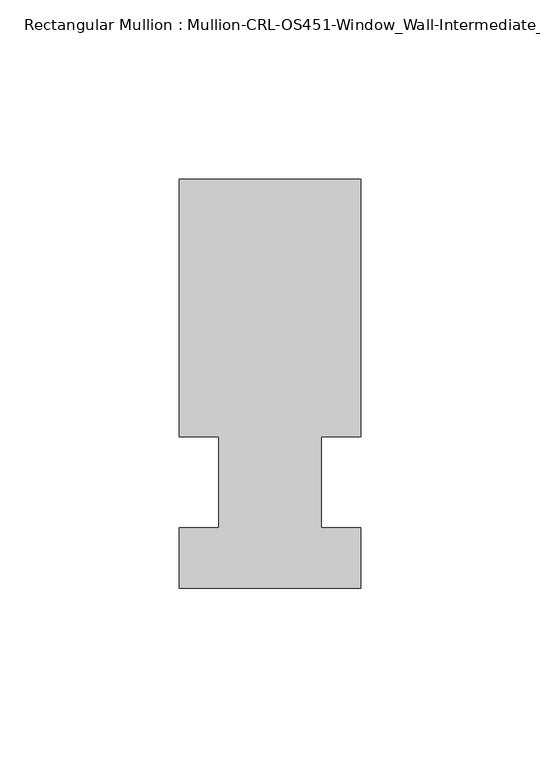
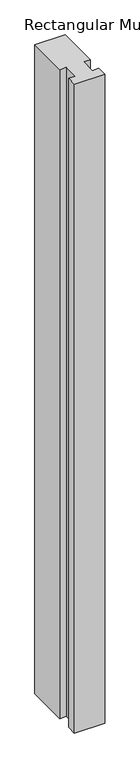
"""IFC4 building model written with IfcOpenShell, lengths in millimetres: member geometry, Rectangular Mullion : Mullion-CRL-OS451-Window_Wall-Intermediate_Horizontal-int."""

from ifc_helpers import new_model, si_unit, frame, origin, place, context, project, spatial, polyline, outline, extrude, source, transform, mapped, element, save


def rectangular_mullion_mullion_crl_os451_window_wall_e8db366b(model_context):
    return source(origin(), model_context, "Body", "SweptSolid", [
        extrude(outline(polyline([(-25.4, -12.7), (-14.2786274, -12.7), (-14.2786274, 12.7), (-25.4, 12.7), (-25.4, 84.7104821), (25.4, 84.7104821), (25.4, 12.7), (14.3002899, 12.7), (14.3002899, -12.7), (25.4, -12.7), (25.4, -29.6013756), (-25.4, -29.6013756), (-25.4, -12.7)])), frame((0.0, 0.0, -1147.0302433), z_axis=(0.0, 0.0, 1.0), x_axis=(1.0, 0.0, 0.0)), (0.0, 0.0, 1.0), 1147.0302433),
    ])


if __name__ == "__main__":
    model = new_model("IFC4")
    model_context = context("Model", 3, world=origin())
    ifc_project = project(units=[si_unit("LENGTHUNIT", "METRE", prefix="MILLI")], contexts=[model_context])
    site = spatial("IfcSite", under=ifc_project)
    building = spatial("IfcBuilding", under=site)
    placement = place(None, origin())
    rectangular_mullion_mullion_crl_os451_window_wall_shape = rectangular_mullion_mullion_crl_os451_window_wall_e8db366b(model_context)
    element("IfcMember", 1, ObjectType="Rectangular Mullion : Mullion-CRL-OS451-Window_Wall-Intermediate_Horizontal-int", at=placement, inside=building, context=model_context, shape_type="MappedRepresentation", body=[
        mapped(rectangular_mullion_mullion_crl_os451_window_wall_shape, transform((0.0, 0.0, 0.0), x_axis=(1.0, 0.0, 0.0), y_axis=(0.0, 1.0, 0.0), z_axis=(0.0, 0.0, 1.0))),
    ])
    save(model, "model.ifc")
